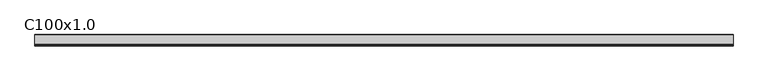
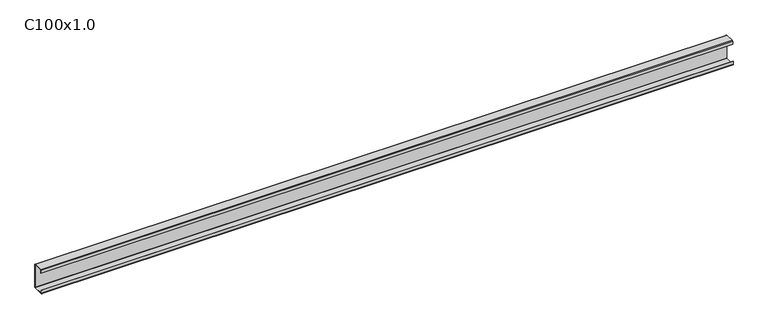
"""IFC4 building model written with IfcOpenShell, lengths in millimetres: beam geometry, C100x1.0."""

import ifcopenshell
import ifcopenshell.guid

model = None  # the IFC model being written
_history = None  # IfcOwnerHistory: only IFC2X3 demands one
_inside = {}  # id of a spatial element -> (the spatial element, [elements in it])
_under = {}  # id of a project, library or spatial element -> (it, [spatial elements below it])
_declared = {}  # id of a project -> (the project, [libraries it declares])
_typed = {}  # id of a type object -> (the type object, [elements of that type])
_made_of = {}  # id of a material, layer set ... -> (it, [elements and type objects made of it])


def new_model(schema):
    """Start an empty IFC model of exactly this schema.

    Asked for "IFC4X3", IfcOpenShell would pick the latest addendum, in which some entities
    have other attributes; the version numbers below select the first issue.
    IFC2X3 requires an IfcOwnerHistory on every rooted entity: one is made here for all.
    """
    global model, _history
    if schema == "IFC4X3":
        model = ifcopenshell.file(schema_version=(4, 3, 0, 0))
    else:
        model = ifcopenshell.file(schema=schema)
    _inside.clear()
    _under.clear()
    _declared.clear()
    _typed.clear()
    _made_of.clear()
    _history = None
    if model.schema == "IFC2X3":
        org = make("IfcOrganization", Name="unknown")
        user = make(
            "IfcPersonAndOrganization",
            ThePerson=make("IfcPerson", FamilyName="unknown"),
            TheOrganization=org,
        )
        app = make(
            "IfcApplication",
            ApplicationDeveloper=org,
            Version="unknown",
            ApplicationFullName="unknown",
            ApplicationIdentifier="unknown",
        )
        _history = make(
            "IfcOwnerHistory",
            OwningUser=user,
            OwningApplication=app,
            ChangeAction="ADDED",
            CreationDate=0,
        )
    return model


def make(cls, **values):
    """One entity of the class cls with the attributes given. An attribute that is None is left unset."""
    return model.create_entity(
        cls, **{name: value for name, value in values.items() if value is not None}
    )


def rooted(cls, **values):
    """An entity with a GlobalId (a new one), such as an element, a storey or a relation."""
    return make(cls, GlobalId=ifcopenshell.guid.new(), OwnerHistory=_history, **values)


def si_unit(unit_type, name, prefix=None):
    """IfcSIUnit, for example si_unit("LENGTHUNIT", "METRE", prefix="MILLI")."""
    return make("IfcSIUnit", UnitType=unit_type, Prefix=prefix, Name=name)


def assignment(units):
    """IfcUnitAssignment: the units of a project."""
    return None if units is None else make("IfcUnitAssignment", Units=units)


def point(xyz):
    """IfcCartesianPoint."""
    return None if xyz is None else make("IfcCartesianPoint", Coordinates=xyz)


def direction(xyz):
    """IfcDirection."""
    return None if xyz is None else make("IfcDirection", DirectionRatios=xyz)


def frame(location, z_axis=None, x_axis=None):
    """IfcAxis2Placement3D, a coordinate frame: its origin and axes. An axis left out is left unset."""
    return make(
        "IfcAxis2Placement3D",
        Location=point(location),
        Axis=direction(z_axis),
        RefDirection=direction(x_axis),
    )


def frame_2d(location, x_axis=None):
    """IfcAxis2Placement2D, a coordinate frame in the plane: its origin and x axis."""
    return make(
        "IfcAxis2Placement2D", Location=point(location), RefDirection=direction(x_axis)
    )


def origin():
    """The frame at (0, 0, 0) with its axes left unset."""
    return frame((0.0, 0.0, 0.0))


def place(relative_to, where):
    """IfcLocalPlacement: puts the frame where relative to a parent placement (None: the world)."""
    return make(
        "IfcLocalPlacement", PlacementRelTo=relative_to, RelativePlacement=where
    )


def context(
    kind, dimensions, precision=None, world=None, true_north=None, identifier=None
):
    """IfcGeometricRepresentationContext, for example the 3D "Model" context."""
    return make(
        "IfcGeometricRepresentationContext",
        ContextIdentifier=identifier,
        ContextType=kind,
        CoordinateSpaceDimension=dimensions,
        Precision=precision,
        WorldCoordinateSystem=world,
        TrueNorth=true_north,
    )


def project(units=None, contexts=None):
    """IfcProject with its units and contexts."""
    return rooted(
        "IfcProject",
        Name="project",
        RepresentationContexts=contexts,
        UnitsInContext=assignment(units),
    )


def spatial(cls, under=None, at=None, **own):
    """A site, building, storey or space (cls), placed at a placement, below another one or the project."""
    s = rooted(cls, ObjectPlacement=at, **own)
    if under is not None:
        _under.setdefault(under.id(), (under, []))[1].append(s)
    return s


def polyline(points):
    """IfcPolyline through the points."""
    return make("IfcPolyline", Points=[point(p) for p in points])


def circle_curve(where, radius):
    """IfcCircle in the frame where."""
    return make("IfcCircle", Position=where, Radius=radius)


def trimmed(basis, trim1, trim2, sense, master):
    """IfcTrimmedCurve: the piece of a basis curve between two trims."""
    return make(
        "IfcTrimmedCurve",
        BasisCurve=basis,
        Trim1=trim1,
        Trim2=trim2,
        SenseAgreement=sense,
        MasterRepresentation=master,
    )


def segment(curve, same_sense, transition):
    """IfcCompositeCurveSegment."""
    return make(
        "IfcCompositeCurveSegment",
        Transition=transition,
        SameSense=same_sense,
        ParentCurve=curve,
    )


def composite_curve(segments, self_intersect=None):
    """IfcCompositeCurve: segments joined end to end."""
    return make("IfcCompositeCurve", Segments=segments, SelfIntersect=self_intersect)


def outline(outer, holes=None, kind="AREA"):
    """IfcArbitraryClosedProfileDef: a profile drawn as a closed curve; with holes, ...WithVoids."""
    if holes is None:
        return make("IfcArbitraryClosedProfileDef", ProfileType=kind, OuterCurve=outer)
    return make(
        "IfcArbitraryProfileDefWithVoids",
        ProfileType=kind,
        OuterCurve=outer,
        InnerCurves=holes,
    )


def extrude(swept, where, along, depth):
    """IfcExtrudedAreaSolid: the profile swept, set in the frame where, extruded along a direction by depth."""
    return make(
        "IfcExtrudedAreaSolid",
        SweptArea=swept,
        Position=where,
        ExtrudedDirection=direction(along),
        Depth=depth,
    )


def shape(context_of_items, identifier, shape_type, items):
    """IfcShapeRepresentation: the items that make up one representation, for example the "Body"."""
    return make(
        "IfcShapeRepresentation",
        ContextOfItems=context_of_items,
        RepresentationIdentifier=identifier,
        RepresentationType=shape_type,
        Items=items,
    )


def source(mapping_origin, context_of_items, identifier, shape_type, items):
    """IfcRepresentationMap: a shape defined once, which mapped items show again and again."""
    return make(
        "IfcRepresentationMap",
        MappingOrigin=mapping_origin,
        MappedRepresentation=shape(context_of_items, identifier, shape_type, items),
    )


def transform(
    local_origin,
    x_axis=None,
    y_axis=None,
    z_axis=None,
    scale=None,
    scale2=None,
    scale3=None,
    uniform=True,
):
    """IfcCartesianTransformationOperator3D, or its non-uniform kind. x_axis, y_axis, z_axis: its Axis1, 2, 3."""
    if uniform:
        return make(
            "IfcCartesianTransformationOperator3D",
            Axis1=direction(x_axis),
            Axis2=direction(y_axis),
            LocalOrigin=point(local_origin),
            Scale=scale,
            Axis3=direction(z_axis),
        )
    return make(
        "IfcCartesianTransformationOperator3DnonUniform",
        Axis1=direction(x_axis),
        Axis2=direction(y_axis),
        LocalOrigin=point(local_origin),
        Scale=scale,
        Axis3=direction(z_axis),
        Scale2=scale2,
        Scale3=scale3,
    )


def mapped(mapping_source, mapping_target):
    """IfcMappedItem: shows the shape of a source again, moved by a transform."""
    return make(
        "IfcMappedItem", MappingSource=mapping_source, MappingTarget=mapping_target
    )


def made_of(thing, what):
    """Note that an element or type object is made of a material, layer set ...; save() writes the relation."""
    if what is not None:
        _made_of.setdefault(what.id(), (what, []))[1].append(thing)
    return thing


def element(
    cls,
    number,
    at=None,
    inside=None,
    cuts=None,
    type_object=None,
    material=None,
    context=None,
    identifier="Body",
    shape_type=None,
    held_by="IfcProductDefinitionShape",
    body=None,
    shapes=None,
    **own,
):
    """One element of the class cls, such as IfcWall. Its Tag is "e" and its number.

    at: its placement. inside: the storey or other place that contains it. cuts: it is an
    opening in that element (IfcRelVoidsElement). A single representation is given by context,
    identifier, shape_type and body (its items); several are given by shapes. held_by: the class
    of the entity that holds the representations. save() writes the other relations.
    """
    e = rooted(cls, Tag="e%d" % number, ObjectPlacement=at, **own)
    if body is not None:
        shapes = [shape(context, identifier, shape_type, body)]
    if shapes is not None:
        e.Representation = make(held_by, Representations=shapes)
    if inside is not None:
        _inside.setdefault(inside.id(), (inside, []))[1].append(e)
    if cuts is not None:
        rooted(
            "IfcRelVoidsElement", RelatingBuildingElement=cuts, RelatedOpeningElement=e
        )
    if type_object is not None:
        _typed.setdefault(type_object.id(), (type_object, []))[1].append(e)
    return made_of(e, material)


def aggregate(whole, parts):
    """IfcRelAggregates: a whole, such as a stair, and the parts it consists of."""
    return rooted("IfcRelAggregates", RelatingObject=whole, RelatedObjects=parts)


def save(model, path):
    """Write the relations noted so far, then the file.

    IfcRelAggregates (storeys below a building ...), IfcRelContainedInSpatialStructure (elements
    in a storey), IfcRelDefinesByType, IfcRelAssociatesMaterial and IfcRelDeclares: one each for
    every whole, place, type object, material and project.
    """
    for whole, parts in _under.values():
        aggregate(whole, parts)
    for where, things in _inside.values():
        rooted(
            "IfcRelContainedInSpatialStructure",
            RelatedElements=things,
            RelatingStructure=where,
        )
    for kind, things in _typed.values():
        rooted("IfcRelDefinesByType", RelatedObjects=things, RelatingType=kind)
    for what, things in _made_of.values():
        rooted("IfcRelAssociatesMaterial", RelatedObjects=things, RelatingMaterial=what)
    for by, libraries in _declared.values():
        rooted("IfcRelDeclares", RelatingContext=by, RelatedDefinitions=libraries)
    model.write(path)


def c100x1_0_635c8864(model_context):
    return source(origin(), model_context, "Body", "SweptSolid", [
        extrude(outline(composite_curve([segment(trimmed(circle_curve(frame_2d((-39.14, 48.14)), 1.86), [point((-41.0, 48.14))], [point((-39.14, 50.0))], False, "CARTESIAN"), True, "CONTINUOUS"), segment(polyline([(-39.14, 50.0), (-1.86, 50.0)]), True, "CONTINUOUS"), segment(trimmed(circle_curve(frame_2d((-1.86, 48.14)), 1.86), [point((-1.86, 50.0))], [point((0.0, 48.14))], False, "CARTESIAN"), True, "CONTINUOUS"), segment(polyline([(0.0, 48.14), (0.0, -48.14)]), True, "CONTINUOUS"), segment(trimmed(circle_curve(frame_2d((-1.86, -48.14)), 1.86), [point((0.0, -48.14))], [point((-1.86, -50.0))], False, "CARTESIAN"), True, "CONTINUOUS"), segment(polyline([(-1.86, -50.0), (-43.14, -50.0)]), True, "CONTINUOUS"), segment(trimmed(circle_curve(frame_2d((-43.14, -48.14)), 1.86), [point((-43.14, -50.0))], [point((-45.0, -48.14))], False, "CARTESIAN"), True, "CONTINUOUS"), segment(polyline([(-45.0, -48.14), (-45.0, -35.0), (-44.07, -35.0), (-44.07, -48.14)]), True, "CONTINUOUS"), segment(trimmed(circle_curve(frame_2d((-43.14, -48.14)), 0.93), [point((-44.07, -48.14))], [point((-43.14, -49.07))], True, "CARTESIAN"), True, "CONTINUOUS"), segment(polyline([(-43.14, -49.07), (-1.86, -49.07)]), True, "CONTINUOUS"), segment(trimmed(circle_curve(frame_2d((-1.86, -48.14)), 0.93), [point((-1.86, -49.07))], [point((-0.93, -48.14))], True, "CARTESIAN"), True, "CONTINUOUS"), segment(polyline([(-0.93, -48.14), (-0.93, 48.14)]), True, "CONTINUOUS"), segment(trimmed(circle_curve(frame_2d((-1.86, 48.14)), 0.93), [point((-0.93, 48.14))], [point((-1.86, 49.07))], True, "CARTESIAN"), True, "CONTINUOUS"), segment(polyline([(-1.86, 49.07), (-39.14, 49.07)]), True, "CONTINUOUS"), segment(trimmed(circle_curve(frame_2d((-39.14, 48.14)), 0.93), [point((-39.14, 49.07))], [point((-40.07, 48.14))], True, "CARTESIAN"), True, "CONTINUOUS"), segment(polyline([(-40.07, 48.14), (-40.07, 35.0), (-41.0, 35.0), (-41.0, 48.14)]), True, "CONTINUOUS")], self_intersect=False)), frame((-1390.0, 0.0, 0.0), z_axis=(1.0, 0.0, 0.0), x_axis=(0.0, 1.0, 0.0)), (0.0, 0.0, 1.0), 2780.0),
    ])


if __name__ == "__main__":
    model = new_model("IFC4")
    model_context = context("Model", 3, world=origin())
    ifc_project = project(units=[si_unit("LENGTHUNIT", "METRE", prefix="MILLI")], contexts=[model_context])
    site = spatial("IfcSite", under=ifc_project)
    building = spatial("IfcBuilding", under=site)
    placement = place(None, origin())
    c100x1_0_shape = c100x1_0_635c8864(model_context)
    element("IfcBeam", 1, ObjectType="C100x1.0", at=placement, inside=building, context=model_context, shape_type="MappedRepresentation", body=[
        mapped(c100x1_0_shape, transform((0.0, 0.0, 0.0), x_axis=(1.0, 0.0, 0.0), y_axis=(0.0, 1.0, 0.0), z_axis=(0.0, 0.0, 1.0))),
    ])
    save(model, "model.ifc")
